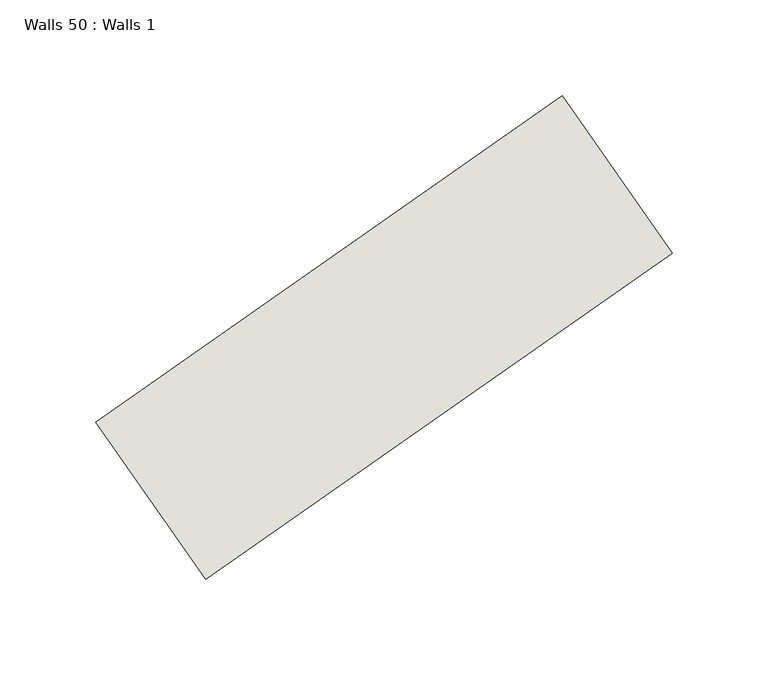
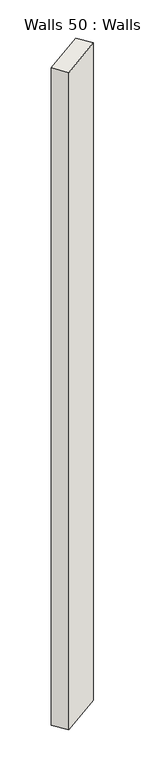
"""IFC4 building model written with IfcOpenShell, lengths in millimetres: wall geometry, Walls 50 : Walls 1."""

from ifc_helpers import new_model, si_unit, origin, origin_with_axes, place, context, project, spatial, polyline, outline, extrude, source, transform, mapped, element, save


def walls_50_walls_1_509d74f2(model_context):
    return source(origin(), model_context, "Body", "SweptSolid", [
        extrude(outline(polyline([(11089.3922087, -1676.7956254), (11332.4409035, -1506.5743804), (11389.8068498, -1588.4837706), (11146.7581551, -1758.7050156), (11089.3922087, -1676.7956254)])), origin_with_axes(), (0.0, 0.0, 1.0), 4143.1959931),
    ])


if __name__ == "__main__":
    model = new_model("IFC4")
    model_context = context("Model", 3, world=origin())
    ifc_project = project(units=[si_unit("LENGTHUNIT", "METRE", prefix="MILLI")], contexts=[model_context])
    site = spatial("IfcSite", under=ifc_project)
    building = spatial("IfcBuilding", under=site)
    placement = place(None, origin())
    walls_50_walls_1_shape = walls_50_walls_1_509d74f2(model_context)
    element("IfcWall", 1, ObjectType="Walls 50 : Walls 1", at=placement, inside=building, context=model_context, shape_type="MappedRepresentation", body=[
        mapped(walls_50_walls_1_shape, transform((0.0, 0.0, 0.0), x_axis=(1.0, 0.0, 0.0), y_axis=(0.0, 1.0, 0.0), z_axis=(0.0, 0.0, 1.0))),
    ])
    save(model, "model.ifc")
